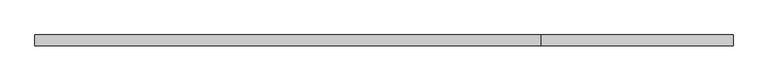
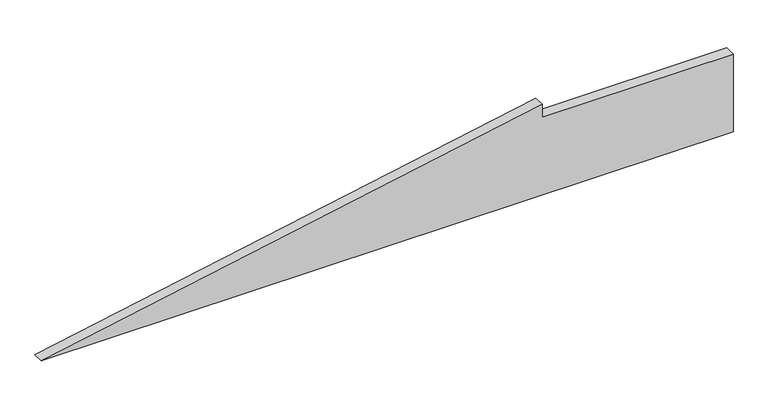
"""IFC4 building model written with IfcOpenShell, lengths in millimetres: plate geometry."""

from ifc_helpers import new_model, si_unit, frame, origin, place, context, project, spatial, polyline, outline, extrude, source, transform, mapped, element, save


def plate_9bd9ed2f(model_context):
    return source(origin(), model_context, "Body", "SweptSolid", [
        extrude(outline(polyline([(0.0, -631.5600063), (0.0, 631.5600063), (150.0, 631.5600063), (150.0, 283.212721), (175.0, 283.212721), (0.0, -631.5600063)])), frame((0.0, 20.0, 0.0), z_axis=(0.0, 1.0, 0.0), x_axis=(0.0, 0.0, 1.0)), (0.0, 0.0, 1.0), 20.0),
    ])


if __name__ == "__main__":
    model = new_model("IFC4")
    model_context = context("Model", 3, world=origin())
    ifc_project = project(units=[si_unit("LENGTHUNIT", "METRE", prefix="MILLI")], contexts=[model_context])
    site = spatial("IfcSite", under=ifc_project)
    building = spatial("IfcBuilding", under=site)
    placement = place(None, origin())
    plate_shape = plate_9bd9ed2f(model_context)
    element("IfcPlate", 1, at=placement, inside=building, context=model_context, shape_type="MappedRepresentation", body=[
        mapped(plate_shape, transform((0.0, 0.0, 0.0), x_axis=(1.0, 0.0, 0.0), y_axis=(0.0, 1.0, 0.0), z_axis=(0.0, 0.0, 1.0))),
    ])
    save(model, "model.ifc")
